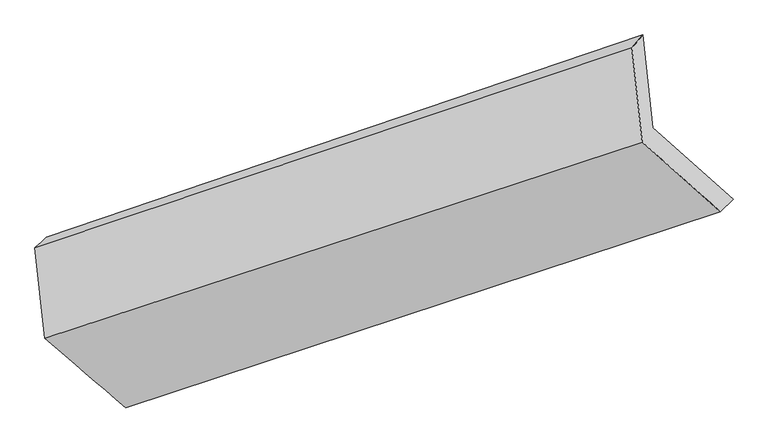
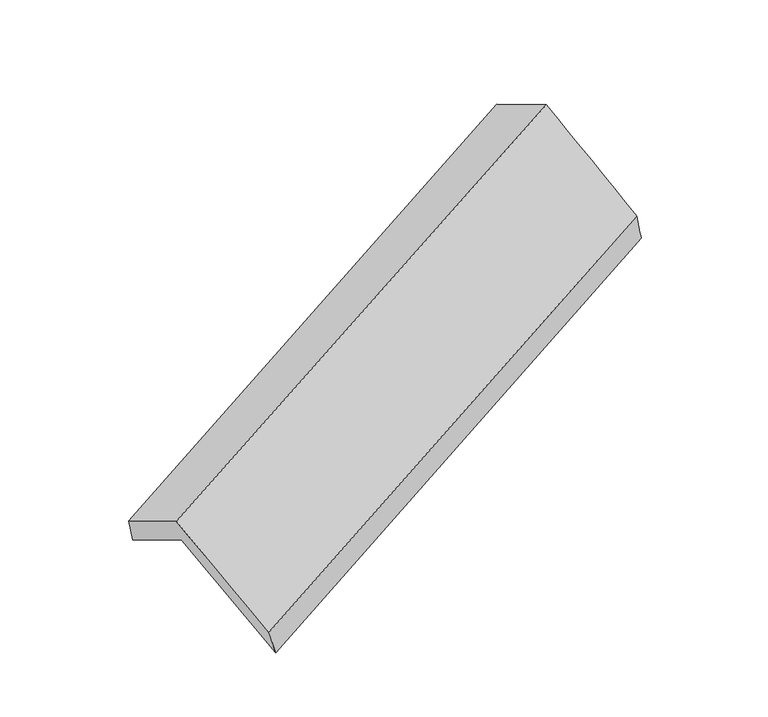
"""IFC4 building model written with IfcOpenShell, lengths in millimetres: proxy geometry."""

from ifc_helpers import new_model, si_unit, frame, origin, place, context, project, spatial, source, transform, mapped, element, save
from ifc_brep_helpers import plane_surface, spline_surface, advanced_brep


def generic_models_de2fb219(model_context):
    return source(origin(), model_context, "Body", "AdvancedBrep", [
        advanced_brep(
        [(-3843.3234661, -2235.3031317, 1012.0864179), (-4188.1478354, -1938.9924404, 1606.5691856), (-1683.3607582, -1088.847395, 2632.1482077), (-1347.0184777, -1388.4465157, 2033.4635749), (-4230.8334662, -1548.6492963, 1387.2493001), (-1726.0463889, -698.504251, 2412.8283221), (-4278.5562392, -1591.7744488, 1539.2053543), (-1771.8039035, -753.0579133, 2574.1628075), (-4236.9794562, -1971.9776209, 1752.8279513), (-1728.5704792, -1148.4104121, 2796.2972707), (-3896.8144114, -2264.2845126, 1166.3779343), (-1400.7762802, -1440.3952724, 2212.8281053)],
        [
            (0, 1),
            (1, 2),
            (2, 3),
            (3, 0),
            (1, 4),
            (4, 5),
            (5, 2),
            (4, 6),
            (6, 7),
            (7, 5),
            (6, 8),
            (8, 9),
            (9, 7),
            (8, 10),
            (10, 11),
            (11, 9),
            (10, 0),
            (3, 11),
        ],
        [
            plane_surface(frame((-4015.7356508, -2087.147786, 1309.3278017), z_axis=(-0.09490593530728486, 0.8678770948117855, -0.4876291744189479), x_axis=(-0.4489318741331675, 0.3998890492305502, 0.7990925607792684))),
            plane_surface(frame((-4209.4906508, -1743.8208683, 1496.9092429), z_axis=(0.45986473898652763, -0.39622042063671825, -0.7946910092025172), x_axis=(-0.09490593530721873, 0.8678770948117684, -0.4876291744189911))),
            spline_surface(1, 1, [[(-4230.8334662, -1548.6492963, 1387.2493001), (-1726.0463889, -698.504251, 2412.8283221)], [(-4278.5562392, -1591.7744488, 1539.2053543), (-1771.8039035, -753.0579133, 2574.1628075)]], [2, 2], [2, 2], [0.0, 1.0], [0.0, 1.0]),
            plane_surface(frame((-4257.7678477, -1781.8760349, 1646.0166528), z_axis=(-0.4604932006700624, 0.3960069756736006, 0.7944334379634899), x_axis=(0.09490593530723783, -0.8678770948117459, 0.48762917441902726))),
            spline_surface(1, 1, [[(-4236.9794562, -1971.9776209, 1752.8279513), (-1728.5704792, -1148.4104121, 2796.2972707)], [(-3896.8144114, -2264.2845126, 1166.3779343), (-1400.7762802, -1440.3952724, 2212.8281053)]], [2, 2], [2, 2], [0.0, 1.0], [0.0, 1.0]),
            spline_surface(1, 1, [[(-3896.8144114, -2264.2845126, 1166.3779343), (-1400.7762802, -1440.3952724, 2212.8281053)], [(-3843.3234661, -2235.3031317, 1012.0864179), (-1347.0184777, -1388.4465157, 2033.4635749)]], [2, 2], [2, 2], [0.0, 1.0], [0.0, 1.0]),
            plane_surface(frame((-1609.5960479, -1086.2769599, 2443.6213814), z_axis=(0.888511697070302, 0.2947509060317308, 0.3516658464547359), x_axis=(0.4489318741331617, -0.3998890492306316, -0.7990925607792307))),
            plane_surface(frame((-4112.4424791, -1925.1635751, 1410.7193573), z_axis=(-0.8824441305173568, -0.3000589871203887, -0.36229402529403193), x_axis=(-0.32252105941958337, -0.17474182965325397, 0.9302932114125647))),
        ],
        [
            (0, [[1, 2, 3, 4]]),
            (1, [[5, 6, 7, -2]]),
            (2, [[8, 9, 10, -6]]),
            (3, [[11, 12, 13, -9]]),
            (4, [[14, 15, 16, -12]]),
            (5, [[17, -4, 18, -15]]),
            (6, [[-16, -18, -3, -7, -10, -13]]),
            (7, [[-17, -14, -11, -8, -5, -1]]),
        ],
    ),
    ])


if __name__ == "__main__":
    model = new_model("IFC4")
    model_context = context("Model", 3, world=origin())
    ifc_project = project(units=[si_unit("LENGTHUNIT", "METRE", prefix="MILLI")], contexts=[model_context])
    site = spatial("IfcSite", under=ifc_project)
    building = spatial("IfcBuilding", under=site)
    placement = place(None, origin())
    generic_models_shape = generic_models_de2fb219(model_context)
    element("IfcBuildingElementProxy", 1, Name="Generic Models", at=placement, inside=building, context=model_context, shape_type="MappedRepresentation", body=[
        mapped(generic_models_shape, transform((0.0, 0.0, 0.0), x_axis=(1.0, 0.0, 0.0), y_axis=(0.0, 1.0, 0.0), z_axis=(0.0, 0.0, 1.0))),
    ])
    save(model, "model.ifc")
